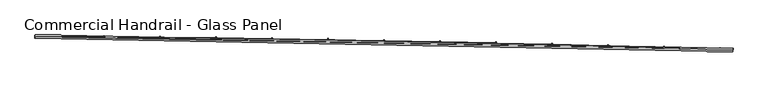
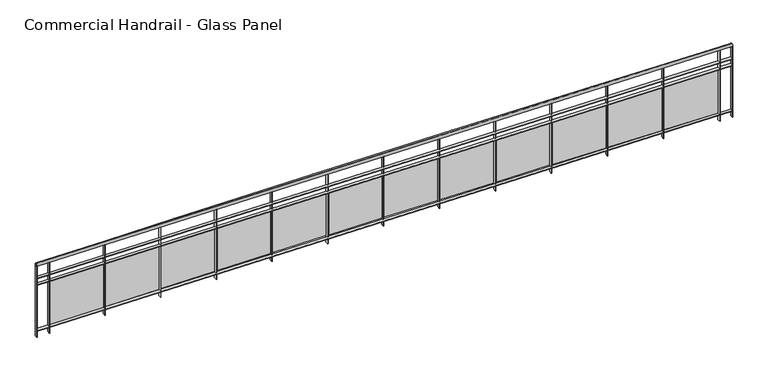
"""IFC4 building model written with IfcOpenShell, lengths in millimetres: railing geometry, Commercial Handrail - Glass Panel."""

from ifc_helpers import new_model, si_unit, point, frame, origin, place, context, project, spatial, polyline, circle_curve, ellipse_curve, trimmed, outline, extrude, source, transform, mapped, element, save
from ifc_brep_helpers import plane_surface, cylinder_surface, revolved_surface, advanced_brep


def commercial_handrail_glass_panel_dac9c6e3(model_context):
    return source(origin(), model_context, "Body", "SolidModel", [
        advanced_brep(
        [(115522.8517456, -6417.9556233, 6082.5), (105560.2865037, -6227.9309844, 6082.5), (105560.2865037, -6227.9309844, 6117.5), (115522.8517456, -6417.9556233, 6117.5)],
        [
            (0, 1, circle_curve(frame((103082.6311781, -397378.3155465, 6082.5), z_axis=(0.0, 0.0, 1.0), x_axis=(0.006334151056266869, 0.9999799390639776, 0.0)), 391158.2315624)),
            (1, 2, ellipse_curve(frame((105560.2865037, -6227.9309844, 6100.0), z_axis=(0.9999799390639776, -0.006334151056273355, 0.0), x_axis=(-0.006334151056273355, -0.9999799390639776, 0.0)), 25.0, 17.5)),
            (2, 3, circle_curve(frame((103082.6311781, -397378.3155465, 6117.5), z_axis=(0.0, 0.0, -1.0), x_axis=(0.006334151056266869, 0.9999799390639776, 0.0)), 391158.2315624)),
            (3, 0, ellipse_curve(frame((115522.8517456, -6417.9556233, 6100.0), z_axis=(-0.9994941391404732, 0.031803550491167405, 0.0), x_axis=(-0.031803550491167405, -0.9994941391404732, 0.0)), 25.0, 17.5)),
            (2, 1, ellipse_curve(frame((105560.2865037, -6227.9309844, 6100.0), z_axis=(0.9999799390639776, -0.006334151056273355, 0.0), x_axis=(-0.006334151056273355, -0.9999799390639776, 0.0)), 25.0, 17.5)),
            (0, 3, ellipse_curve(frame((115522.8517456, -6417.9556233, 6100.0), z_axis=(-0.9994941391404732, 0.031803550491167405, 0.0), x_axis=(-0.031803550491167405, -0.9994941391404732, 0.0)), 25.0, 17.5)),
        ],
        [
            revolved_surface(trimmed(ellipse_curve(frame((105560.2865037, -6227.9309844, 6100.0), z_axis=(-0.9999799390639776, 0.006334151056266869, 0.0), x_axis=(0.0, 0.0, -1.0)), 17.5, 25.0), [point((105560.2865037, -6227.9309844, 6117.5))], [point((105560.2865037, -6227.9309844, 6082.5))], True, "CARTESIAN"), (103082.6311781, -397378.3155465, 6100.0), (0.0, 0.0, -1.0)),
            revolved_surface(trimmed(ellipse_curve(frame((105560.2865037, -6227.9309844, 6100.0), z_axis=(-0.9999799390639776, 0.006334151056266869, 0.0), x_axis=(0.0, 0.0, -1.0)), 17.5, 25.0), [point((105560.2865037, -6227.9309844, 6082.5))], [point((105560.2865037, -6227.9309844, 6117.5))], True, "CARTESIAN"), (103082.6311781, -397378.3155465, 6100.0), (0.0, 0.0, -1.0)),
            plane_surface(frame((105560.2865037, -6227.9309844, 6100.0), z_axis=(-0.9999799390639776, 0.006334151056266869, 0.0), x_axis=(0.006334151056266869, 0.9999799390639776, 0.0))),
            plane_surface(frame((115522.8517456, -6417.9556233, 6100.0), z_axis=(0.9994941391404732, -0.031803550491167405, 0.0), x_axis=(0.031803550491167405, 0.9994941391404732, 0.0))),
        ],
        [
            (0, [[1, 2, 3, 4]]),
            (1, [[-3, 5, -1, 6]]),
            (2, [[-2, -5]]),
            (3, [[-6, -4]]),
        ],
    ),
        advanced_brep(
        [(115523.5673255, -6395.4670052, 5900.0), (105560.4290221, -6205.4314357, 5900.0), (105560.1439853, -6250.430533, 5900.0), (115522.1361657, -6440.4442415, 5900.0), (115523.5673255, -6395.4670052, 5894.0), (105560.4290221, -6205.4314357, 5894.0), (115522.1361657, -6440.4442415, 5894.0), (105560.1439853, -6250.430533, 5894.0)],
        [
            (0, 1, circle_curve(frame((103082.6311781, -397378.3155465, 5900.0), z_axis=(0.0, 0.0, 1.0), x_axis=(0.006334151056266869, 0.9999799390639776, 0.0)), 391180.7315624)),
            (1, 2),
            (2, 3, circle_curve(frame((103082.6311781, -397378.3155465, 5900.0), z_axis=(0.0, 0.0, -1.0), x_axis=(0.006334151056266869, 0.9999799390639776, 0.0)), 391135.7315624)),
            (3, 0),
            (4, 5, circle_curve(frame((103082.6311781, -397378.3155465, 5894.0), z_axis=(0.0, 0.0, 1.0), x_axis=(0.006334151056266869, 0.9999799390639776, 0.0)), 391180.7315624)),
            (5, 1),
            (0, 4),
            (6, 7, circle_curve(frame((103082.6311781, -397378.3155465, 5894.0), z_axis=(0.0, 0.0, 1.0), x_axis=(0.006334151056266869, 0.9999799390639776, 0.0)), 391135.7315624)),
            (7, 5),
            (4, 6),
            (2, 7),
            (6, 3),
        ],
        [
            plane_surface(frame((103082.6311781, -397378.3155465, 5900.0), z_axis=(0.0, 0.0, 1.0), x_axis=(0.006334151056266869, 0.9999799390639776, 0.0))),
            cylinder_surface(frame((103082.6311781, -397378.3155465, 5900.0), z_axis=(0.0, 0.0, -1.0), x_axis=(0.006334151056266869, 0.9999799390639776, 0.0)), 391180.7315624),
            plane_surface(frame((103082.6311781, -397378.3155465, 5894.0), z_axis=(0.0, 0.0, -1.0), x_axis=(0.006334151056266869, 0.9999799390639776, 0.0))),
            revolved_surface(polyline([(105560.1439853197, -6250.43053298688, 5894.0), (105560.1439853197, -6250.43053298688, 5900.0)]), (103082.6311781, -397378.3155465, 5900.0), (0.0, 0.0, -1.0)),
            plane_surface(frame((105560.2865037, -6227.9309844, 5900.0), z_axis=(-0.9999799390639776, 0.006334151056266869, 0.0), x_axis=(0.006334151056266869, 0.9999799390639776, 0.0))),
            plane_surface(frame((115522.8517456, -6417.9556233, 5900.0), z_axis=(0.9994941391404732, -0.031803550491167405, 0.0), x_axis=(0.031803550491167405, 0.9994941391404732, 0.0))),
        ],
        [
            (0, [[1, 2, 3, 4]]),
            (1, [[5, 6, -1, 7]]),
            (2, [[8, 9, -5, 10]]),
            (3, [[-3, 11, -8, 12]]),
            (4, [[-2, -6, -9, -11]]),
            (5, [[-12, -10, -7, -4]]),
        ],
    ),
        advanced_brep(
        [(115523.5673255, -6395.4670052, 5800.0), (105560.4290221, -6205.4314357, 5800.0), (105560.1439853, -6250.430533, 5800.0), (115522.1361657, -6440.4442415, 5800.0), (115523.5673255, -6395.4670052, 5794.0), (105560.4290221, -6205.4314357, 5794.0), (115522.1361657, -6440.4442415, 5794.0), (105560.1439853, -6250.430533, 5794.0)],
        [
            (0, 1, circle_curve(frame((103082.6311781, -397378.3155465, 5800.0), z_axis=(0.0, 0.0, 1.0), x_axis=(0.006334151056266869, 0.9999799390639776, 0.0)), 391180.7315624)),
            (1, 2),
            (2, 3, circle_curve(frame((103082.6311781, -397378.3155465, 5800.0), z_axis=(0.0, 0.0, -1.0), x_axis=(0.006334151056266869, 0.9999799390639776, 0.0)), 391135.7315624)),
            (3, 0),
            (4, 5, circle_curve(frame((103082.6311781, -397378.3155465, 5794.0), z_axis=(0.0, 0.0, 1.0), x_axis=(0.006334151056266869, 0.9999799390639776, 0.0)), 391180.7315624)),
            (5, 1),
            (0, 4),
            (6, 7, circle_curve(frame((103082.6311781, -397378.3155465, 5794.0), z_axis=(0.0, 0.0, 1.0), x_axis=(0.006334151056266869, 0.9999799390639776, 0.0)), 391135.7315624)),
            (7, 5),
            (4, 6),
            (2, 7),
            (6, 3),
        ],
        [
            plane_surface(frame((103082.6311781, -397378.3155465, 5800.0), z_axis=(0.0, 0.0, 1.0), x_axis=(0.006334151056266869, 0.9999799390639776, 0.0))),
            cylinder_surface(frame((103082.6311781, -397378.3155465, 5800.0), z_axis=(0.0, 0.0, -1.0), x_axis=(0.006334151056266869, 0.9999799390639776, 0.0)), 391180.7315624),
            plane_surface(frame((103082.6311781, -397378.3155465, 5794.0), z_axis=(0.0, 0.0, -1.0), x_axis=(0.006334151056266869, 0.9999799390639776, 0.0))),
            revolved_surface(polyline([(105560.1439853197, -6250.43053298688, 5794.0), (105560.1439853197, -6250.43053298688, 5800.0)]), (103082.6311781, -397378.3155465, 5800.0), (0.0, 0.0, -1.0)),
            plane_surface(frame((105560.2865037, -6227.9309844, 5800.0), z_axis=(-0.9999799390639776, 0.006334151056266869, 0.0), x_axis=(0.006334151056266869, 0.9999799390639776, 0.0))),
            plane_surface(frame((115522.8517456, -6417.9556233, 5800.0), z_axis=(0.9994941391404732, -0.031803550491167405, 0.0), x_axis=(0.031803550491167405, 0.9994941391404732, 0.0))),
        ],
        [
            (0, [[1, 2, 3, 4]]),
            (1, [[5, 6, -1, 7]]),
            (2, [[8, 9, -5, 10]]),
            (3, [[-3, 11, -8, 12]]),
            (4, [[-2, -6, -9, -11]]),
            (5, [[-12, -10, -7, -4]]),
        ],
    ),
        advanced_brep(
        [(115523.5673255, -6395.4670052, 5100.0), (105560.4290221, -6205.4314357, 5100.0), (105560.1439853, -6250.430533, 5100.0), (115522.1361657, -6440.4442415, 5100.0), (115523.5673255, -6395.4670052, 5094.0), (105560.4290221, -6205.4314357, 5094.0), (115522.1361657, -6440.4442415, 5094.0), (105560.1439853, -6250.430533, 5094.0)],
        [
            (0, 1, circle_curve(frame((103082.6311781, -397378.3155465, 5100.0), z_axis=(0.0, 0.0, 1.0), x_axis=(0.006334151056266869, 0.9999799390639776, 0.0)), 391180.7315624)),
            (1, 2),
            (2, 3, circle_curve(frame((103082.6311781, -397378.3155465, 5100.0), z_axis=(0.0, 0.0, -1.0), x_axis=(0.006334151056266869, 0.9999799390639776, 0.0)), 391135.7315624)),
            (3, 0),
            (4, 5, circle_curve(frame((103082.6311781, -397378.3155465, 5094.0), z_axis=(0.0, 0.0, 1.0), x_axis=(0.006334151056266869, 0.9999799390639776, 0.0)), 391180.7315624)),
            (5, 1),
            (0, 4),
            (6, 7, circle_curve(frame((103082.6311781, -397378.3155465, 5094.0), z_axis=(0.0, 0.0, 1.0), x_axis=(0.006334151056266869, 0.9999799390639776, 0.0)), 391135.7315624)),
            (7, 5),
            (4, 6),
            (2, 7),
            (6, 3),
        ],
        [
            plane_surface(frame((103082.6311781, -397378.3155465, 5100.0), z_axis=(0.0, 0.0, 1.0), x_axis=(0.006334151056266869, 0.9999799390639776, 0.0))),
            cylinder_surface(frame((103082.6311781, -397378.3155465, 5100.0), z_axis=(0.0, 0.0, -1.0), x_axis=(0.006334151056266869, 0.9999799390639776, 0.0)), 391180.7315624),
            plane_surface(frame((103082.6311781, -397378.3155465, 5094.0), z_axis=(0.0, 0.0, -1.0), x_axis=(0.006334151056266869, 0.9999799390639776, 0.0))),
            revolved_surface(polyline([(105560.1439853197, -6250.43053298688, 5094.0), (105560.1439853197, -6250.43053298688, 5100.0)]), (103082.6311781, -397378.3155465, 5100.0), (0.0, 0.0, -1.0)),
            plane_surface(frame((105560.2865037, -6227.9309844, 5100.0), z_axis=(-0.9999799390639776, 0.006334151056266869, 0.0), x_axis=(0.006334151056266869, 0.9999799390639776, 0.0))),
            plane_surface(frame((115522.8517456, -6417.9556233, 5100.0), z_axis=(0.9994941391404732, -0.031803550491167405, 0.0), x_axis=(0.031803550491167405, 0.9994941391404732, 0.0))),
        ],
        [
            (0, [[1, 2, 3, 4]]),
            (1, [[5, 6, -1, 7]]),
            (2, [[8, 9, -5, 10]]),
            (3, [[-3, 11, -8, 12]]),
            (4, [[-2, -6, -9, -11]]),
            (5, [[-12, -10, -7, -4]]),
        ],
    ),
        extrude(outline(polyline([(115336.915621, -6434.5944988), (115338.3258162, -6389.6166003), (115344.3228693, -6389.8046263), (115342.9126741, -6434.7825248), (115336.915621, -6434.5944988)])), frame((0.0, 0.0, 5000.0), z_axis=(0.0, 0.0, 1.0), x_axis=(1.0, 0.0, 0.0)), (0.0, 0.0, 1.0), 1082.1192282),
        extrude(outline(polyline([(114561.1659135, -6382.3517641), (115320.8166008, -6405.3915845), (115320.4528141, -6417.3860691), (114560.8021269, -6394.3462486), (114561.1659135, -6382.3517641)])), frame((0.0, 0.0, 5120.0), z_axis=(0.0, 0.0, 1.0), x_axis=(1.0, 0.0, 0.0)), (0.0, 0.0, 1.0), 660.0),
        extrude(outline(polyline([(114537.329268, -6410.3495883), (114538.6474712, -6365.3688997), (114544.6448963, -6365.5446602), (114543.3266931, -6410.5253487), (114537.329268, -6410.3495883)])), frame((0.0, 0.0, 5000.0), z_axis=(0.0, 0.0, 1.0), x_axis=(1.0, 0.0, 0.0)), (0.0, 0.0, 1.0), 1082.1192282),
        extrude(outline(polyline([(113761.4743357, -6359.6935314), (114521.1705554, -6381.1796609), (114520.8313008, -6393.1748644), (113761.1350811, -6371.6887348), (113761.4743357, -6359.6935314)])), frame((0.0, 0.0, 5120.0), z_axis=(0.0, 0.0, 1.0), x_axis=(1.0, 0.0, 0.0)), (0.0, 0.0, 1.0), 660.0),
        extrude(outline(polyline([(113737.6950014, -6387.7400478), (113738.921207, -6342.7567574), (113744.9189791, -6342.9202515), (113743.6927735, -6387.9035419), (113737.6950014, -6387.7400478)])), frame((0.0, 0.0, 5000.0), z_axis=(0.0, 0.0, 1.0), x_axis=(1.0, 0.0, 0.0)), (0.0, 0.0, 1.0), 1082.1192282),
        extrude(outline(polyline([(112961.7380897, -6338.6708806), (113721.4766641, -6358.6032294), (113721.1619428, -6370.5991017), (112961.4233684, -6350.6667528), (112961.7380897, -6338.6708806)])), frame((0.0, 0.0, 5120.0), z_axis=(0.0, 0.0, 1.0), x_axis=(1.0, 0.0, 0.0)), (0.0, 0.0, 1.0), 660.0),
        extrude(outline(polyline([(112938.0161661, -6366.7659721), (112939.150369, -6321.7802679), (112945.1484629, -6321.9314949), (112944.0142599, -6366.9171991), (112938.0161661, -6366.7659721)])), frame((0.0, 0.0, 5000.0), z_axis=(0.0, 0.0, 1.0), x_axis=(1.0, 0.0, 0.0)), (0.0, 0.0, 1.0), 1082.1192282),
        extrude(outline(polyline([(112161.9605206, -6319.2838998), (112921.7382719, -6337.6623845), (112921.4480853, -6349.6588753), (112161.670334, -6331.2803906), (112161.9605206, -6319.2838998)])), frame((0.0, 0.0, 5120.0), z_axis=(0.0, 0.0, 1.0), x_axis=(1.0, 0.0, 0.0)), (0.0, 0.0, 1.0), 660.0),
        extrude(outline(polyline([(112138.2961068, -6347.4274487), (112139.3383023, -6302.4395189), (112145.3366929, -6302.5784783), (112144.2944975, -6347.5664081), (112138.2961068, -6347.4274487)])), frame((0.0, 0.0, 5000.0), z_axis=(0.0, 0.0, 1.0), x_axis=(1.0, 0.0, 0.0)), (0.0, 0.0, 1.0), 1082.1192282),
        extrude(outline(polyline([(111362.1449738, -6301.5326699), (112121.9587238, -6318.3572136), (112121.6930731, -6330.3542728), (111361.8793231, -6313.5297291), (111362.1449738, -6301.5326699)])), frame((0.0, 0.0, 5120.0), z_axis=(0.0, 0.0, 1.0), x_axis=(1.0, 0.0, 0.0)), (0.0, 0.0, 1.0), 660.0),
        extrude(outline(polyline([(111338.5381689, -6329.7245586), (111339.4883526, -6284.7345914), (111345.4870149, -6284.8612825), (111344.5368312, -6329.8512498), (111338.5381689, -6329.7245586)])), frame((0.0, 0.0, 5000.0), z_axis=(0.0, 0.0, 1.0), x_axis=(1.0, 0.0, 0.0)), (0.0, 0.0, 1.0), 1082.1192282),
        extrude(outline(polyline([(110562.2947948, -6285.4172653), (111322.1413654, -6300.6877976), (111321.9002518, -6312.6853751), (110562.0536812, -6297.4148427), (110562.2947948, -6285.4172653)])), frame((0.0, 0.0, 5120.0), z_axis=(0.0, 0.0, 1.0), x_axis=(1.0, 0.0, 0.0)), (0.0, 0.0, 1.0), 660.0),
        extrude(outline(polyline([(110538.7456975, -6313.6573759), (110539.6038654, -6268.6655594), (110545.6027743, -6268.7799818), (110544.7446064, -6313.7717982), (110538.7456975, -6313.6573759)])), frame((0.0, 0.0, 5000.0), z_axis=(0.0, 0.0, 1.0), x_axis=(1.0, 0.0, 0.0)), (0.0, 0.0, 1.0), 1082.1192282),
        extrude(outline(polyline([(109762.4133294, -6270.9377534), (110522.2895422, -6284.6542105), (110522.0729666, -6296.6522559), (109762.1967537, -6282.9357988), (109762.4133294, -6270.9377534)])), frame((0.0, 0.0, 5120.0), z_axis=(0.0, 0.0, 1.0), x_axis=(1.0, 0.0, 0.0)), (0.0, 0.0, 1.0), 660.0),
        extrude(outline(polyline([(109738.9220382, -6299.2259676), (109739.6881867, -6254.2324901), (109745.6873171, -6254.3346433), (109744.9211685, -6299.3281208), (109738.9220382, -6299.2259676)])), frame((0.0, 0.0, 5000.0), z_axis=(0.0, 0.0, 1.0), x_axis=(1.0, 0.0, 0.0)), (0.0, 0.0, 1.0), 1082.1192282),
        extrude(outline(polyline([(108962.5039232, -6258.0941947), (109722.4065998, -6270.2565191), (109722.2145631, -6282.2549825), (108962.3118865, -6270.092658), (108962.5039232, -6258.0941947)])), frame((0.0, 0.0, 5120.0), z_axis=(0.0, 0.0, 1.0), x_axis=(1.0, 0.0, 0.0)), (0.0, 0.0, 1.0), 660.0),
        extrude(outline(polyline([(108939.0705364, -6286.4303943), (108939.7446624, -6241.435444), (108945.7439891, -6241.5253275), (108945.0698631, -6286.5202778), (108939.0705364, -6286.4303943)])), frame((0.0, 0.0, 5000.0), z_axis=(0.0, 0.0, 1.0), x_axis=(1.0, 0.0, 0.0)), (0.0, 0.0, 1.0), 1082.1192282),
        extrude(outline(polyline([(108162.5699223, -6246.8866429), (108922.495884, -6257.4947839), (108922.3283871, -6269.4936149), (108162.4024253, -6258.8854739), (108162.5699223, -6246.8866429)])), frame((0.0, 0.0, 5120.0), z_axis=(0.0, 0.0, 1.0), x_axis=(1.0, 0.0, 0.0)), (0.0, 0.0, 1.0), 660.0),
        extrude(outline(polyline([(108139.1945379, -6275.2707094), (108139.7766385, -6230.2744745), (108145.7761365, -6230.3520879), (108145.1940359, -6275.3483228), (108139.1945379, -6275.2707094)])), frame((0.0, 0.0, 5000.0), z_axis=(0.0, 0.0, 1.0), x_axis=(1.0, 0.0, 0.0)), (0.0, 0.0, 1.0), 1082.1192282),
        extrude(outline(polyline([(107362.6146726, -6237.315145), (108122.5607409, -6246.3690581), (108122.4177843, -6258.3682065), (107362.4717161, -6249.3142934), (107362.6146726, -6237.315145)])), frame((0.0, 0.0, 5120.0), z_axis=(0.0, 0.0, 1.0), x_axis=(1.0, 0.0, 0.0)), (0.0, 0.0, 1.0), 660.0),
        extrude(outline(polyline([(107339.2973884, -6265.7469596), (107339.7874611, -6220.7496283), (107345.7871053, -6220.8149713), (107345.2970326, -6265.8123027), (107339.2973884, -6265.7469596)])), frame((0.0, 0.0, 5000.0), z_axis=(0.0, 0.0, 1.0), x_axis=(1.0, 0.0, 0.0)), (0.0, 0.0, 1.0), 1082.1192282),
        extrude(outline(polyline([(106562.6415203, -6229.3797409), (107322.6045163, -6236.8793883), (107322.4861008, -6248.878804), (106562.5231048, -6241.3791567), (106562.6415203, -6229.3797409)])), frame((0.0, 0.0, 5120.0), z_axis=(0.0, 0.0, 1.0), x_axis=(1.0, 0.0, 0.0)), (0.0, 0.0, 1.0), 660.0),
        extrude(outline(polyline([(106539.3824338, -6257.8591848), (106539.7804767, -6212.8609452), (106545.7802419, -6212.9140176), (106545.382199, -6257.9122572), (106539.3824338, -6257.8591848)])), frame((0.0, 0.0, 5000.0), z_axis=(0.0, 0.0, 1.0), x_axis=(1.0, 0.0, 0.0)), (0.0, 0.0, 1.0), 1082.1192282),
        extrude(outline(polyline([(105762.6538115, -6223.080464), (106522.6305564, -6229.0258142), (106522.5366825, -6241.025447), (105762.5599376, -6235.0800968), (105762.6538115, -6223.080464)])), frame((0.0, 0.0, 5120.0), z_axis=(0.0, 0.0, 1.0), x_axis=(1.0, 0.0, 0.0)), (0.0, 0.0, 1.0), 660.0),
        extrude(outline(polyline([(105739.45302, -6251.6074179), (105739.7590314, -6206.6084583), (105745.7588926, -6206.6492599), (105745.4528813, -6251.6482194), (105739.45302, -6251.6074179)])), frame((0.0, 0.0, 5000.0), z_axis=(0.0, 0.0, 1.0), x_axis=(1.0, 0.0, 0.0)), (0.0, 0.0, 1.0), 1082.1192282),
        extrude(outline(polyline([(115519.1376833, -6440.3488308), (115520.5688431, -6395.3715946), (115526.5658079, -6395.5624159), (115525.1346482, -6440.5396521), (115519.1376833, -6440.3488308)])), frame((0.0, 0.0, 5000.0), z_axis=(0.0, 0.0, 1.0), x_axis=(1.0, 0.0, 0.0)), (0.0, 0.0, 1.0), 1082.1192282),
        extrude(outline(polyline([(105557.1440455, -6250.4115305), (105557.4290823, -6205.4124333), (105563.4289619, -6205.4504382), (105563.1439251, -6250.4495354), (105557.1440455, -6250.4115305)])), frame((0.0, 0.0, 5000.0), z_axis=(0.0, 0.0, 1.0), x_axis=(1.0, 0.0, 0.0)), (0.0, 0.0, 1.0), 1082.1192282),
    ])


if __name__ == "__main__":
    model = new_model("IFC4")
    model_context = context("Model", 3, world=origin())
    ifc_project = project(units=[si_unit("LENGTHUNIT", "METRE", prefix="MILLI")], contexts=[model_context])
    site = spatial("IfcSite", under=ifc_project)
    building = spatial("IfcBuilding", under=site)
    placement = place(None, origin())
    commercial_handrail_glass_panel_shape = commercial_handrail_glass_panel_dac9c6e3(model_context)
    element("IfcRailing", 1, ObjectType="Commercial Handrail - Glass Panel", at=placement, inside=building, context=model_context, shape_type="MappedRepresentation", body=[
        mapped(commercial_handrail_glass_panel_shape, transform((0.0, 0.0, 0.0), x_axis=(1.0, 0.0, 0.0), y_axis=(0.0, 1.0, 0.0), z_axis=(0.0, 0.0, 1.0))),
    ])
    save(model, "model.ifc")
